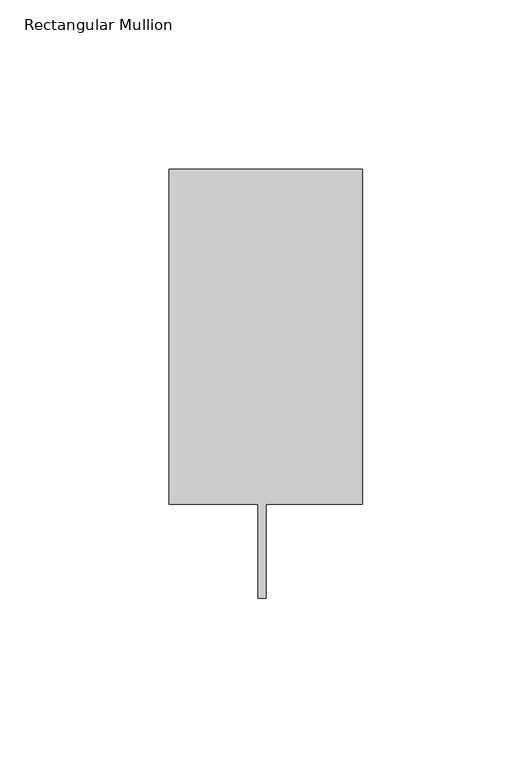
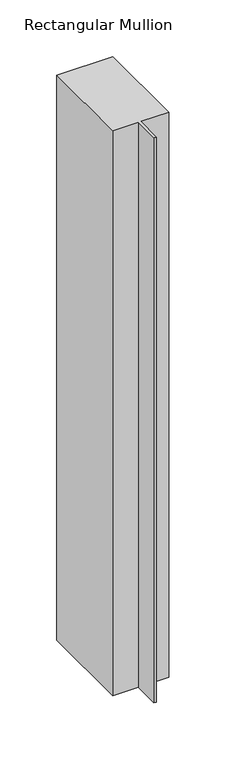
"""IFC4 building model written with IfcOpenShell, lengths in millimetres: member geometry, Rectangular Mullion."""

from ifc_helpers import new_model, si_unit, frame, origin, place, context, project, spatial, polyline, outline, extrude, source, transform, mapped, element, save


def rectangular_mullion_6d2cee0e(model_context):
    return source(origin(), model_context, "Body", "SweptSolid", [
        extrude(outline(polyline([(0.0, 138.3252808), (0.0, 39.3898437), (-28.575, 39.3898437), (-28.575, 11.7038437), (-30.9626, 11.7038437), (-30.9626, 39.3898437), (-57.15, 39.3898438), (-57.15, 138.3252808), (0.0, 138.3252808)])), frame((0.0, 0.0, -609.6), z_axis=(0.0, 0.0, 1.0), x_axis=(1.0, 0.0, 0.0)), (0.0, 0.0, 1.0), 609.6),
    ])


if __name__ == "__main__":
    model = new_model("IFC4")
    model_context = context("Model", 3, world=origin())
    ifc_project = project(units=[si_unit("LENGTHUNIT", "METRE", prefix="MILLI")], contexts=[model_context])
    site = spatial("IfcSite", under=ifc_project)
    building = spatial("IfcBuilding", under=site)
    placement = place(None, origin())
    rectangular_mullion_shape = rectangular_mullion_6d2cee0e(model_context)
    element("IfcMember", 1, ObjectType="Rectangular Mullion", at=placement, inside=building, context=model_context, shape_type="MappedRepresentation", body=[
        mapped(rectangular_mullion_shape, transform((0.0, 0.0, 0.0), x_axis=(1.0, 0.0, 0.0), y_axis=(0.0, 1.0, 0.0), z_axis=(0.0, 0.0, 1.0))),
    ])
    save(model, "model.ifc")
